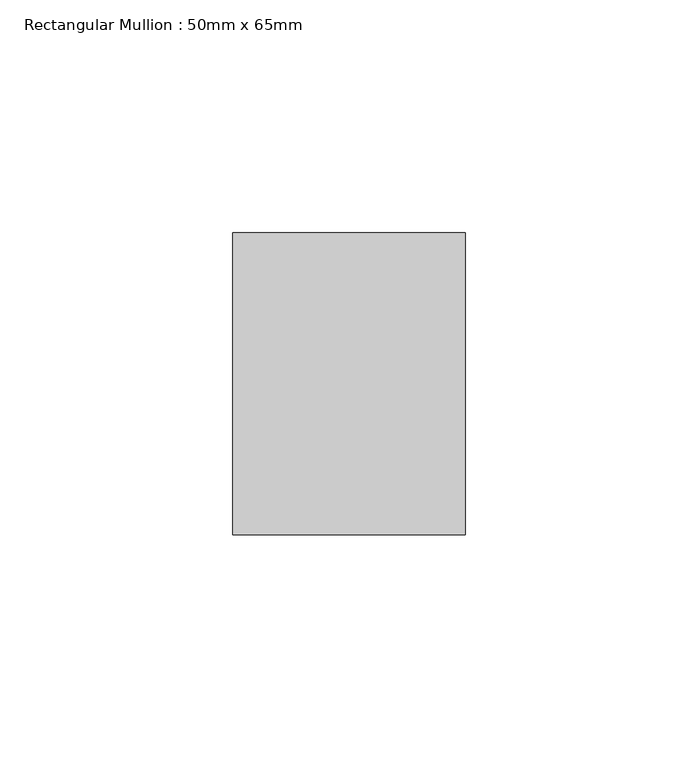
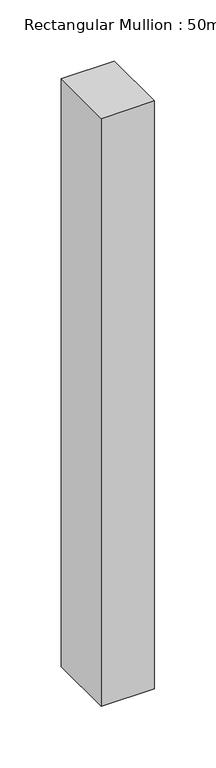
"""IFC4 building model written with IfcOpenShell, lengths in millimetres: member geometry, Rectangular Mullion : 50mm x 65mm."""

from ifc_helpers import new_model, si_unit, frame, origin, place, context, project, spatial, polyline, outline, extrude, source, transform, mapped, element, save


def rectangular_mullion_50mm_x_65mm_2582bb5f(model_context):
    return source(origin(), model_context, "Body", "SweptSolid", [
        extrude(outline(polyline([(25.0, 32.5), (25.0, -32.5), (-25.0, -32.5), (-25.0, 32.5), (25.0, 32.5)])), frame((0.0, 0.0, -585.2037169), z_axis=(0.0, 0.0, 1.0), x_axis=(1.0, 0.0, 0.0)), (0.0, 0.0, 1.0), 585.2037169),
    ])


if __name__ == "__main__":
    model = new_model("IFC4")
    model_context = context("Model", 3, world=origin())
    ifc_project = project(units=[si_unit("LENGTHUNIT", "METRE", prefix="MILLI")], contexts=[model_context])
    site = spatial("IfcSite", under=ifc_project)
    building = spatial("IfcBuilding", under=site)
    placement = place(None, origin())
    rectangular_mullion_50mm_x_65mm_shape = rectangular_mullion_50mm_x_65mm_2582bb5f(model_context)
    element("IfcMember", 1, ObjectType="Rectangular Mullion : 50mm x 65mm", at=placement, inside=building, context=model_context, shape_type="MappedRepresentation", body=[
        mapped(rectangular_mullion_50mm_x_65mm_shape, transform((0.0, 0.0, 0.0), x_axis=(1.0, 0.0, 0.0), y_axis=(0.0, 1.0, 0.0), z_axis=(0.0, 0.0, 1.0))),
    ])
    save(model, "model.ifc")
